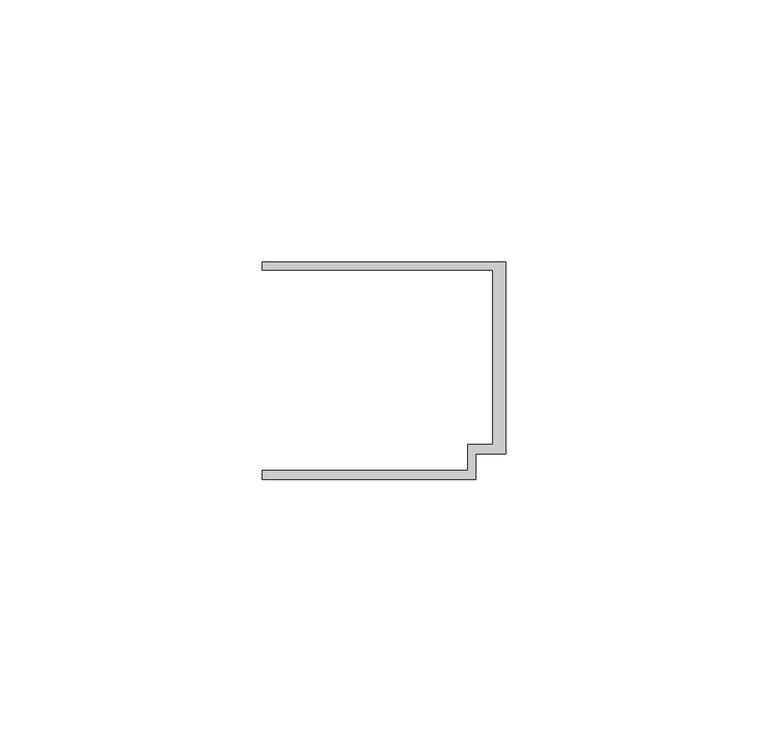
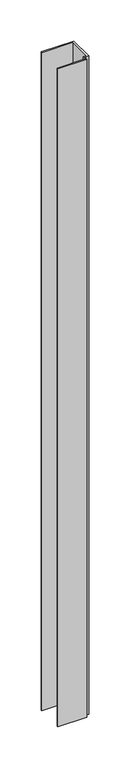
"""IFC4 building model written with IfcOpenShell, lengths in millimetres: member geometry."""

import ifcopenshell
import ifcopenshell.guid

model = None  # the IFC model being written
_history = None  # IfcOwnerHistory: only IFC2X3 demands one
_inside = {}  # id of a spatial element -> (the spatial element, [elements in it])
_under = {}  # id of a project, library or spatial element -> (it, [spatial elements below it])
_declared = {}  # id of a project -> (the project, [libraries it declares])
_typed = {}  # id of a type object -> (the type object, [elements of that type])
_made_of = {}  # id of a material, layer set ... -> (it, [elements and type objects made of it])


def new_model(schema):
    """Start an empty IFC model of exactly this schema.

    Asked for "IFC4X3", IfcOpenShell would pick the latest addendum, in which some entities
    have other attributes; the version numbers below select the first issue.
    IFC2X3 requires an IfcOwnerHistory on every rooted entity: one is made here for all.
    """
    global model, _history
    if schema == "IFC4X3":
        model = ifcopenshell.file(schema_version=(4, 3, 0, 0))
    else:
        model = ifcopenshell.file(schema=schema)
    _inside.clear()
    _under.clear()
    _declared.clear()
    _typed.clear()
    _made_of.clear()
    _history = None
    if model.schema == "IFC2X3":
        org = make("IfcOrganization", Name="unknown")
        user = make(
            "IfcPersonAndOrganization",
            ThePerson=make("IfcPerson", FamilyName="unknown"),
            TheOrganization=org,
        )
        app = make(
            "IfcApplication",
            ApplicationDeveloper=org,
            Version="unknown",
            ApplicationFullName="unknown",
            ApplicationIdentifier="unknown",
        )
        _history = make(
            "IfcOwnerHistory",
            OwningUser=user,
            OwningApplication=app,
            ChangeAction="ADDED",
            CreationDate=0,
        )
    return model


def make(cls, **values):
    """One entity of the class cls with the attributes given. An attribute that is None is left unset."""
    return model.create_entity(
        cls, **{name: value for name, value in values.items() if value is not None}
    )


def rooted(cls, **values):
    """An entity with a GlobalId (a new one), such as an element, a storey or a relation."""
    return make(cls, GlobalId=ifcopenshell.guid.new(), OwnerHistory=_history, **values)


def si_unit(unit_type, name, prefix=None):
    """IfcSIUnit, for example si_unit("LENGTHUNIT", "METRE", prefix="MILLI")."""
    return make("IfcSIUnit", UnitType=unit_type, Prefix=prefix, Name=name)


def assignment(units):
    """IfcUnitAssignment: the units of a project."""
    return None if units is None else make("IfcUnitAssignment", Units=units)


def point(xyz):
    """IfcCartesianPoint."""
    return None if xyz is None else make("IfcCartesianPoint", Coordinates=xyz)


def direction(xyz):
    """IfcDirection."""
    return None if xyz is None else make("IfcDirection", DirectionRatios=xyz)


def frame(location, z_axis=None, x_axis=None):
    """IfcAxis2Placement3D, a coordinate frame: its origin and axes. An axis left out is left unset."""
    return make(
        "IfcAxis2Placement3D",
        Location=point(location),
        Axis=direction(z_axis),
        RefDirection=direction(x_axis),
    )


def origin():
    """The frame at (0, 0, 0) with its axes left unset."""
    return frame((0.0, 0.0, 0.0))


def place(relative_to, where):
    """IfcLocalPlacement: puts the frame where relative to a parent placement (None: the world)."""
    return make(
        "IfcLocalPlacement", PlacementRelTo=relative_to, RelativePlacement=where
    )


def context(
    kind, dimensions, precision=None, world=None, true_north=None, identifier=None
):
    """IfcGeometricRepresentationContext, for example the 3D "Model" context."""
    return make(
        "IfcGeometricRepresentationContext",
        ContextIdentifier=identifier,
        ContextType=kind,
        CoordinateSpaceDimension=dimensions,
        Precision=precision,
        WorldCoordinateSystem=world,
        TrueNorth=true_north,
    )


def project(units=None, contexts=None):
    """IfcProject with its units and contexts."""
    return rooted(
        "IfcProject",
        Name="project",
        RepresentationContexts=contexts,
        UnitsInContext=assignment(units),
    )


def spatial(cls, under=None, at=None, **own):
    """A site, building, storey or space (cls), placed at a placement, below another one or the project."""
    s = rooted(cls, ObjectPlacement=at, **own)
    if under is not None:
        _under.setdefault(under.id(), (under, []))[1].append(s)
    return s


def polyline(points):
    """IfcPolyline through the points."""
    return make("IfcPolyline", Points=[point(p) for p in points])


def outline(outer, holes=None, kind="AREA"):
    """IfcArbitraryClosedProfileDef: a profile drawn as a closed curve; with holes, ...WithVoids."""
    if holes is None:
        return make("IfcArbitraryClosedProfileDef", ProfileType=kind, OuterCurve=outer)
    return make(
        "IfcArbitraryProfileDefWithVoids",
        ProfileType=kind,
        OuterCurve=outer,
        InnerCurves=holes,
    )


def extrude(swept, where, along, depth):
    """IfcExtrudedAreaSolid: the profile swept, set in the frame where, extruded along a direction by depth."""
    return make(
        "IfcExtrudedAreaSolid",
        SweptArea=swept,
        Position=where,
        ExtrudedDirection=direction(along),
        Depth=depth,
    )


def shape(context_of_items, identifier, shape_type, items):
    """IfcShapeRepresentation: the items that make up one representation, for example the "Body"."""
    return make(
        "IfcShapeRepresentation",
        ContextOfItems=context_of_items,
        RepresentationIdentifier=identifier,
        RepresentationType=shape_type,
        Items=items,
    )


def source(mapping_origin, context_of_items, identifier, shape_type, items):
    """IfcRepresentationMap: a shape defined once, which mapped items show again and again."""
    return make(
        "IfcRepresentationMap",
        MappingOrigin=mapping_origin,
        MappedRepresentation=shape(context_of_items, identifier, shape_type, items),
    )


def transform(
    local_origin,
    x_axis=None,
    y_axis=None,
    z_axis=None,
    scale=None,
    scale2=None,
    scale3=None,
    uniform=True,
):
    """IfcCartesianTransformationOperator3D, or its non-uniform kind. x_axis, y_axis, z_axis: its Axis1, 2, 3."""
    if uniform:
        return make(
            "IfcCartesianTransformationOperator3D",
            Axis1=direction(x_axis),
            Axis2=direction(y_axis),
            LocalOrigin=point(local_origin),
            Scale=scale,
            Axis3=direction(z_axis),
        )
    return make(
        "IfcCartesianTransformationOperator3DnonUniform",
        Axis1=direction(x_axis),
        Axis2=direction(y_axis),
        LocalOrigin=point(local_origin),
        Scale=scale,
        Axis3=direction(z_axis),
        Scale2=scale2,
        Scale3=scale3,
    )


def mapped(mapping_source, mapping_target):
    """IfcMappedItem: shows the shape of a source again, moved by a transform."""
    return make(
        "IfcMappedItem", MappingSource=mapping_source, MappingTarget=mapping_target
    )


def made_of(thing, what):
    """Note that an element or type object is made of a material, layer set ...; save() writes the relation."""
    if what is not None:
        _made_of.setdefault(what.id(), (what, []))[1].append(thing)
    return thing


def element(
    cls,
    number,
    at=None,
    inside=None,
    cuts=None,
    type_object=None,
    material=None,
    context=None,
    identifier="Body",
    shape_type=None,
    held_by="IfcProductDefinitionShape",
    body=None,
    shapes=None,
    **own,
):
    """One element of the class cls, such as IfcWall. Its Tag is "e" and its number.

    at: its placement. inside: the storey or other place that contains it. cuts: it is an
    opening in that element (IfcRelVoidsElement). A single representation is given by context,
    identifier, shape_type and body (its items); several are given by shapes. held_by: the class
    of the entity that holds the representations. save() writes the other relations.
    """
    e = rooted(cls, Tag="e%d" % number, ObjectPlacement=at, **own)
    if body is not None:
        shapes = [shape(context, identifier, shape_type, body)]
    if shapes is not None:
        e.Representation = make(held_by, Representations=shapes)
    if inside is not None:
        _inside.setdefault(inside.id(), (inside, []))[1].append(e)
    if cuts is not None:
        rooted(
            "IfcRelVoidsElement", RelatingBuildingElement=cuts, RelatedOpeningElement=e
        )
    if type_object is not None:
        _typed.setdefault(type_object.id(), (type_object, []))[1].append(e)
    return made_of(e, material)


def aggregate(whole, parts):
    """IfcRelAggregates: a whole, such as a stair, and the parts it consists of."""
    return rooted("IfcRelAggregates", RelatingObject=whole, RelatedObjects=parts)


def save(model, path):
    """Write the relations noted so far, then the file.

    IfcRelAggregates (storeys below a building ...), IfcRelContainedInSpatialStructure (elements
    in a storey), IfcRelDefinesByType, IfcRelAssociatesMaterial and IfcRelDeclares: one each for
    every whole, place, type object, material and project.
    """
    for whole, parts in _under.values():
        aggregate(whole, parts)
    for where, things in _inside.values():
        rooted(
            "IfcRelContainedInSpatialStructure",
            RelatedElements=things,
            RelatingStructure=where,
        )
    for kind, things in _typed.values():
        rooted("IfcRelDefinesByType", RelatedObjects=things, RelatingType=kind)
    for what, things in _made_of.values():
        rooted("IfcRelAssociatesMaterial", RelatedObjects=things, RelatingMaterial=what)
    for by, libraries in _declared.values():
        rooted("IfcRelDeclares", RelatingContext=by, RelatedDefinitions=libraries)
    model.write(path)


def member_20d8e708(model_context):
    return source(origin(), model_context, "Body", "SweptSolid", [
        extrude(outline(polyline([(-46.3, 19.2), (-46.3, 20.7), (0.0, 20.7), (0.0, -15.8), (-5.6999992, -15.8), (-5.6999992, -20.7), (-46.3, -20.7), (-46.3, -19.0), (-7.2, -19.0), (-7.2, -14.0), (-2.4, -14.0), (-2.4, 19.2), (-46.3, 19.2)])), frame((0.0, 0.0, -979.8), z_axis=(0.0, 0.0, 1.0), x_axis=(1.0, 0.0, 0.0)), (0.0, 0.0, 1.0), 979.8),
    ])


if __name__ == "__main__":
    model = new_model("IFC4")
    model_context = context("Model", 3, world=origin())
    ifc_project = project(units=[si_unit("LENGTHUNIT", "METRE", prefix="MILLI")], contexts=[model_context])
    site = spatial("IfcSite", under=ifc_project)
    building = spatial("IfcBuilding", under=site)
    placement = place(None, origin())
    member_shape = member_20d8e708(model_context)
    element("IfcMember", 1, at=placement, inside=building, context=model_context, shape_type="MappedRepresentation", body=[
        mapped(member_shape, transform((0.0, 0.0, 0.0), x_axis=(1.0, 0.0, 0.0), y_axis=(0.0, 1.0, 0.0), z_axis=(0.0, 0.0, 1.0))),
    ])
    save(model, "model.ifc")
